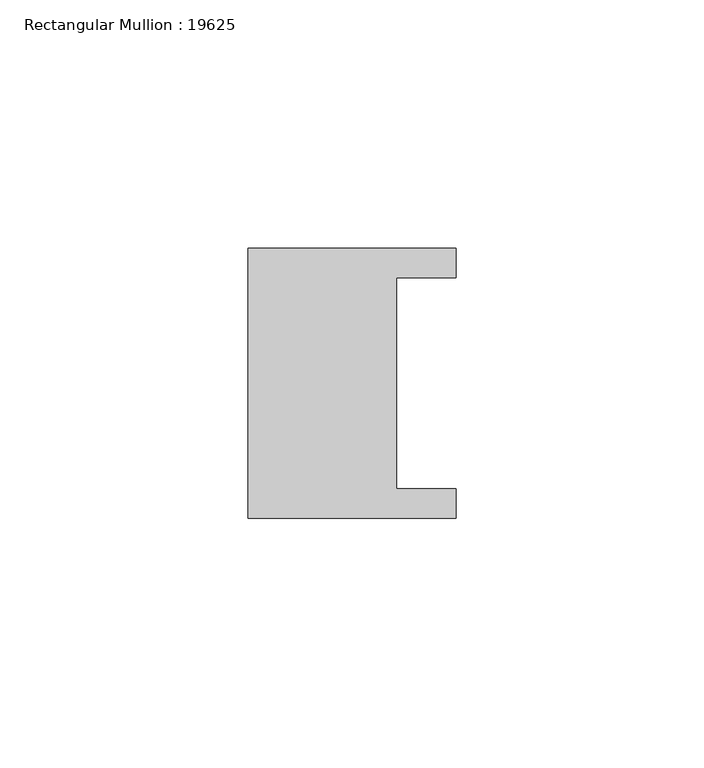
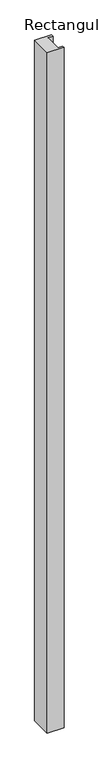
"""IFC4 building model written with IfcOpenShell, lengths in millimetres: member geometry, Rectangular Mullion : 19625."""

import ifcopenshell
import ifcopenshell.guid

model = None  # the IFC model being written
_history = None  # IfcOwnerHistory: only IFC2X3 demands one
_inside = {}  # id of a spatial element -> (the spatial element, [elements in it])
_under = {}  # id of a project, library or spatial element -> (it, [spatial elements below it])
_declared = {}  # id of a project -> (the project, [libraries it declares])
_typed = {}  # id of a type object -> (the type object, [elements of that type])
_made_of = {}  # id of a material, layer set ... -> (it, [elements and type objects made of it])


def new_model(schema):
    """Start an empty IFC model of exactly this schema.

    Asked for "IFC4X3", IfcOpenShell would pick the latest addendum, in which some entities
    have other attributes; the version numbers below select the first issue.
    IFC2X3 requires an IfcOwnerHistory on every rooted entity: one is made here for all.
    """
    global model, _history
    if schema == "IFC4X3":
        model = ifcopenshell.file(schema_version=(4, 3, 0, 0))
    else:
        model = ifcopenshell.file(schema=schema)
    _inside.clear()
    _under.clear()
    _declared.clear()
    _typed.clear()
    _made_of.clear()
    _history = None
    if model.schema == "IFC2X3":
        org = make("IfcOrganization", Name="unknown")
        user = make(
            "IfcPersonAndOrganization",
            ThePerson=make("IfcPerson", FamilyName="unknown"),
            TheOrganization=org,
        )
        app = make(
            "IfcApplication",
            ApplicationDeveloper=org,
            Version="unknown",
            ApplicationFullName="unknown",
            ApplicationIdentifier="unknown",
        )
        _history = make(
            "IfcOwnerHistory",
            OwningUser=user,
            OwningApplication=app,
            ChangeAction="ADDED",
            CreationDate=0,
        )
    return model


def make(cls, **values):
    """One entity of the class cls with the attributes given. An attribute that is None is left unset."""
    return model.create_entity(
        cls, **{name: value for name, value in values.items() if value is not None}
    )


def rooted(cls, **values):
    """An entity with a GlobalId (a new one), such as an element, a storey or a relation."""
    return make(cls, GlobalId=ifcopenshell.guid.new(), OwnerHistory=_history, **values)


def si_unit(unit_type, name, prefix=None):
    """IfcSIUnit, for example si_unit("LENGTHUNIT", "METRE", prefix="MILLI")."""
    return make("IfcSIUnit", UnitType=unit_type, Prefix=prefix, Name=name)


def assignment(units):
    """IfcUnitAssignment: the units of a project."""
    return None if units is None else make("IfcUnitAssignment", Units=units)


def point(xyz):
    """IfcCartesianPoint."""
    return None if xyz is None else make("IfcCartesianPoint", Coordinates=xyz)


def direction(xyz):
    """IfcDirection."""
    return None if xyz is None else make("IfcDirection", DirectionRatios=xyz)


def frame(location, z_axis=None, x_axis=None):
    """IfcAxis2Placement3D, a coordinate frame: its origin and axes. An axis left out is left unset."""
    return make(
        "IfcAxis2Placement3D",
        Location=point(location),
        Axis=direction(z_axis),
        RefDirection=direction(x_axis),
    )


def origin():
    """The frame at (0, 0, 0) with its axes left unset."""
    return frame((0.0, 0.0, 0.0))


def place(relative_to, where):
    """IfcLocalPlacement: puts the frame where relative to a parent placement (None: the world)."""
    return make(
        "IfcLocalPlacement", PlacementRelTo=relative_to, RelativePlacement=where
    )


def context(
    kind, dimensions, precision=None, world=None, true_north=None, identifier=None
):
    """IfcGeometricRepresentationContext, for example the 3D "Model" context."""
    return make(
        "IfcGeometricRepresentationContext",
        ContextIdentifier=identifier,
        ContextType=kind,
        CoordinateSpaceDimension=dimensions,
        Precision=precision,
        WorldCoordinateSystem=world,
        TrueNorth=true_north,
    )


def project(units=None, contexts=None):
    """IfcProject with its units and contexts."""
    return rooted(
        "IfcProject",
        Name="project",
        RepresentationContexts=contexts,
        UnitsInContext=assignment(units),
    )


def spatial(cls, under=None, at=None, **own):
    """A site, building, storey or space (cls), placed at a placement, below another one or the project."""
    s = rooted(cls, ObjectPlacement=at, **own)
    if under is not None:
        _under.setdefault(under.id(), (under, []))[1].append(s)
    return s


def polyline(points):
    """IfcPolyline through the points."""
    return make("IfcPolyline", Points=[point(p) for p in points])


def outline(outer, holes=None, kind="AREA"):
    """IfcArbitraryClosedProfileDef: a profile drawn as a closed curve; with holes, ...WithVoids."""
    if holes is None:
        return make("IfcArbitraryClosedProfileDef", ProfileType=kind, OuterCurve=outer)
    return make(
        "IfcArbitraryProfileDefWithVoids",
        ProfileType=kind,
        OuterCurve=outer,
        InnerCurves=holes,
    )


def extrude(swept, where, along, depth):
    """IfcExtrudedAreaSolid: the profile swept, set in the frame where, extruded along a direction by depth."""
    return make(
        "IfcExtrudedAreaSolid",
        SweptArea=swept,
        Position=where,
        ExtrudedDirection=direction(along),
        Depth=depth,
    )


def shape(context_of_items, identifier, shape_type, items):
    """IfcShapeRepresentation: the items that make up one representation, for example the "Body"."""
    return make(
        "IfcShapeRepresentation",
        ContextOfItems=context_of_items,
        RepresentationIdentifier=identifier,
        RepresentationType=shape_type,
        Items=items,
    )


def source(mapping_origin, context_of_items, identifier, shape_type, items):
    """IfcRepresentationMap: a shape defined once, which mapped items show again and again."""
    return make(
        "IfcRepresentationMap",
        MappingOrigin=mapping_origin,
        MappedRepresentation=shape(context_of_items, identifier, shape_type, items),
    )


def transform(
    local_origin,
    x_axis=None,
    y_axis=None,
    z_axis=None,
    scale=None,
    scale2=None,
    scale3=None,
    uniform=True,
):
    """IfcCartesianTransformationOperator3D, or its non-uniform kind. x_axis, y_axis, z_axis: its Axis1, 2, 3."""
    if uniform:
        return make(
            "IfcCartesianTransformationOperator3D",
            Axis1=direction(x_axis),
            Axis2=direction(y_axis),
            LocalOrigin=point(local_origin),
            Scale=scale,
            Axis3=direction(z_axis),
        )
    return make(
        "IfcCartesianTransformationOperator3DnonUniform",
        Axis1=direction(x_axis),
        Axis2=direction(y_axis),
        LocalOrigin=point(local_origin),
        Scale=scale,
        Axis3=direction(z_axis),
        Scale2=scale2,
        Scale3=scale3,
    )


def mapped(mapping_source, mapping_target):
    """IfcMappedItem: shows the shape of a source again, moved by a transform."""
    return make(
        "IfcMappedItem", MappingSource=mapping_source, MappingTarget=mapping_target
    )


def made_of(thing, what):
    """Note that an element or type object is made of a material, layer set ...; save() writes the relation."""
    if what is not None:
        _made_of.setdefault(what.id(), (what, []))[1].append(thing)
    return thing


def element(
    cls,
    number,
    at=None,
    inside=None,
    cuts=None,
    type_object=None,
    material=None,
    context=None,
    identifier="Body",
    shape_type=None,
    held_by="IfcProductDefinitionShape",
    body=None,
    shapes=None,
    **own,
):
    """One element of the class cls, such as IfcWall. Its Tag is "e" and its number.

    at: its placement. inside: the storey or other place that contains it. cuts: it is an
    opening in that element (IfcRelVoidsElement). A single representation is given by context,
    identifier, shape_type and body (its items); several are given by shapes. held_by: the class
    of the entity that holds the representations. save() writes the other relations.
    """
    e = rooted(cls, Tag="e%d" % number, ObjectPlacement=at, **own)
    if body is not None:
        shapes = [shape(context, identifier, shape_type, body)]
    if shapes is not None:
        e.Representation = make(held_by, Representations=shapes)
    if inside is not None:
        _inside.setdefault(inside.id(), (inside, []))[1].append(e)
    if cuts is not None:
        rooted(
            "IfcRelVoidsElement", RelatingBuildingElement=cuts, RelatedOpeningElement=e
        )
    if type_object is not None:
        _typed.setdefault(type_object.id(), (type_object, []))[1].append(e)
    return made_of(e, material)


def aggregate(whole, parts):
    """IfcRelAggregates: a whole, such as a stair, and the parts it consists of."""
    return rooted("IfcRelAggregates", RelatingObject=whole, RelatedObjects=parts)


def save(model, path):
    """Write the relations noted so far, then the file.

    IfcRelAggregates (storeys below a building ...), IfcRelContainedInSpatialStructure (elements
    in a storey), IfcRelDefinesByType, IfcRelAssociatesMaterial and IfcRelDeclares: one each for
    every whole, place, type object, material and project.
    """
    for whole, parts in _under.values():
        aggregate(whole, parts)
    for where, things in _inside.values():
        rooted(
            "IfcRelContainedInSpatialStructure",
            RelatedElements=things,
            RelatingStructure=where,
        )
    for kind, things in _typed.values():
        rooted("IfcRelDefinesByType", RelatedObjects=things, RelatingType=kind)
    for what, things in _made_of.values():
        rooted("IfcRelAssociatesMaterial", RelatedObjects=things, RelatingMaterial=what)
    for by, libraries in _declared.values():
        rooted("IfcRelDeclares", RelatingContext=by, RelatedDefinitions=libraries)
    model.write(path)


def rectangular_mullion_19625_b81e8cbc(model_context):
    return source(origin(), model_context, "Body", "SweptSolid", [
        extrude(outline(polyline([(-42.0, -27.25), (-42.0, 27.25), (0.0, 27.25), (0.0, 21.25), (-12.0, 21.25), (-12.0, -21.25), (0.0, -21.25), (0.0, -27.25), (-42.0, -27.25)])), frame((0.0, 0.0, -1800.0), z_axis=(0.0, 0.0, 1.0), x_axis=(1.0, 0.0, 0.0)), (0.0, 0.0, 1.0), 1800.0),
    ])


if __name__ == "__main__":
    model = new_model("IFC4")
    model_context = context("Model", 3, world=origin())
    ifc_project = project(units=[si_unit("LENGTHUNIT", "METRE", prefix="MILLI")], contexts=[model_context])
    site = spatial("IfcSite", under=ifc_project)
    building = spatial("IfcBuilding", under=site)
    placement = place(None, origin())
    rectangular_mullion_19625_shape = rectangular_mullion_19625_b81e8cbc(model_context)
    element("IfcMember", 1, ObjectType="Rectangular Mullion : 19625", at=placement, inside=building, context=model_context, shape_type="MappedRepresentation", body=[
        mapped(rectangular_mullion_19625_shape, transform((0.0, 0.0, 0.0), x_axis=(1.0, 0.0, 0.0), y_axis=(0.0, 1.0, 0.0), z_axis=(0.0, 0.0, 1.0))),
    ])
    save(model, "model.ifc")
